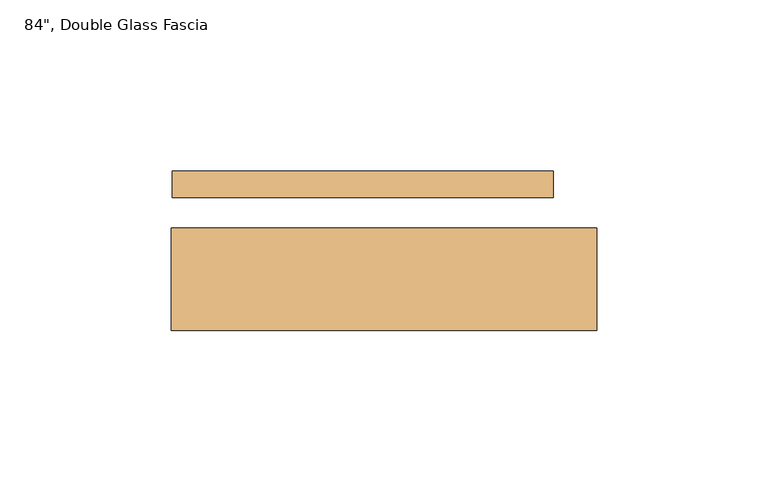
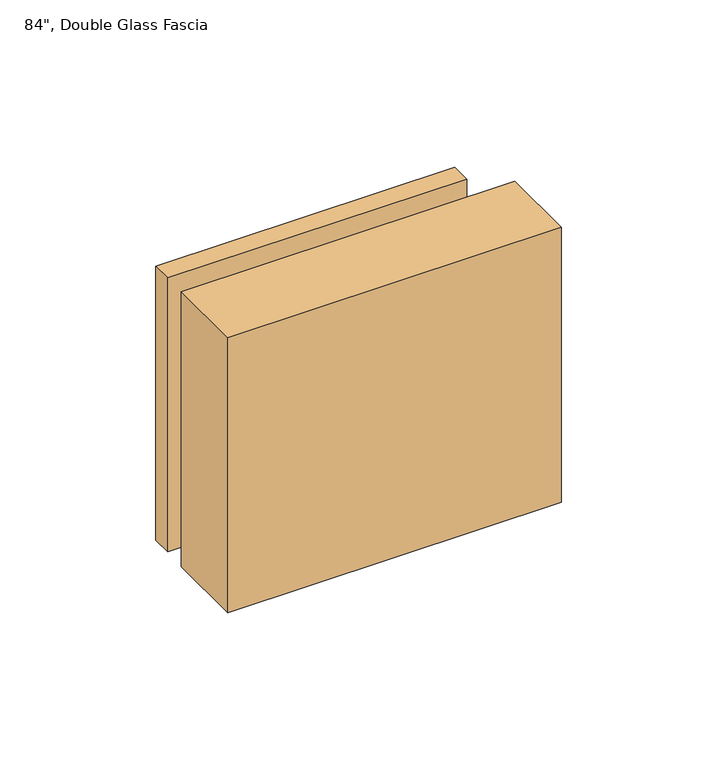
"""IFC4 building model written with IfcOpenShell, lengths in millimetres: door geometry."""

import ifcopenshell
import ifcopenshell.guid

model = None  # the IFC model being written
_history = None  # IfcOwnerHistory: only IFC2X3 demands one
_inside = {}  # id of a spatial element -> (the spatial element, [elements in it])
_under = {}  # id of a project, library or spatial element -> (it, [spatial elements below it])
_declared = {}  # id of a project -> (the project, [libraries it declares])
_typed = {}  # id of a type object -> (the type object, [elements of that type])
_made_of = {}  # id of a material, layer set ... -> (it, [elements and type objects made of it])


def new_model(schema):
    """Start an empty IFC model of exactly this schema.

    Asked for "IFC4X3", IfcOpenShell would pick the latest addendum, in which some entities
    have other attributes; the version numbers below select the first issue.
    IFC2X3 requires an IfcOwnerHistory on every rooted entity: one is made here for all.
    """
    global model, _history
    if schema == "IFC4X3":
        model = ifcopenshell.file(schema_version=(4, 3, 0, 0))
    else:
        model = ifcopenshell.file(schema=schema)
    _inside.clear()
    _under.clear()
    _declared.clear()
    _typed.clear()
    _made_of.clear()
    _history = None
    if model.schema == "IFC2X3":
        org = make("IfcOrganization", Name="unknown")
        user = make(
            "IfcPersonAndOrganization",
            ThePerson=make("IfcPerson", FamilyName="unknown"),
            TheOrganization=org,
        )
        app = make(
            "IfcApplication",
            ApplicationDeveloper=org,
            Version="unknown",
            ApplicationFullName="unknown",
            ApplicationIdentifier="unknown",
        )
        _history = make(
            "IfcOwnerHistory",
            OwningUser=user,
            OwningApplication=app,
            ChangeAction="ADDED",
            CreationDate=0,
        )
    return model


def make(cls, **values):
    """One entity of the class cls with the attributes given. An attribute that is None is left unset."""
    return model.create_entity(
        cls, **{name: value for name, value in values.items() if value is not None}
    )


def rooted(cls, **values):
    """An entity with a GlobalId (a new one), such as an element, a storey or a relation."""
    return make(cls, GlobalId=ifcopenshell.guid.new(), OwnerHistory=_history, **values)


def si_unit(unit_type, name, prefix=None):
    """IfcSIUnit, for example si_unit("LENGTHUNIT", "METRE", prefix="MILLI")."""
    return make("IfcSIUnit", UnitType=unit_type, Prefix=prefix, Name=name)


def assignment(units):
    """IfcUnitAssignment: the units of a project."""
    return None if units is None else make("IfcUnitAssignment", Units=units)


def point(xyz):
    """IfcCartesianPoint."""
    return None if xyz is None else make("IfcCartesianPoint", Coordinates=xyz)


def direction(xyz):
    """IfcDirection."""
    return None if xyz is None else make("IfcDirection", DirectionRatios=xyz)


def frame(location, z_axis=None, x_axis=None):
    """IfcAxis2Placement3D, a coordinate frame: its origin and axes. An axis left out is left unset."""
    return make(
        "IfcAxis2Placement3D",
        Location=point(location),
        Axis=direction(z_axis),
        RefDirection=direction(x_axis),
    )


def origin():
    """The frame at (0, 0, 0) with its axes left unset."""
    return frame((0.0, 0.0, 0.0))


def place(relative_to, where):
    """IfcLocalPlacement: puts the frame where relative to a parent placement (None: the world)."""
    return make(
        "IfcLocalPlacement", PlacementRelTo=relative_to, RelativePlacement=where
    )


def context(
    kind, dimensions, precision=None, world=None, true_north=None, identifier=None
):
    """IfcGeometricRepresentationContext, for example the 3D "Model" context."""
    return make(
        "IfcGeometricRepresentationContext",
        ContextIdentifier=identifier,
        ContextType=kind,
        CoordinateSpaceDimension=dimensions,
        Precision=precision,
        WorldCoordinateSystem=world,
        TrueNorth=true_north,
    )


def project(units=None, contexts=None):
    """IfcProject with its units and contexts."""
    return rooted(
        "IfcProject",
        Name="project",
        RepresentationContexts=contexts,
        UnitsInContext=assignment(units),
    )


def spatial(cls, under=None, at=None, **own):
    """A site, building, storey or space (cls), placed at a placement, below another one or the project."""
    s = rooted(cls, ObjectPlacement=at, **own)
    if under is not None:
        _under.setdefault(under.id(), (under, []))[1].append(s)
    return s


def polyline(points):
    """IfcPolyline through the points."""
    return make("IfcPolyline", Points=[point(p) for p in points])


def outline(outer, holes=None, kind="AREA"):
    """IfcArbitraryClosedProfileDef: a profile drawn as a closed curve; with holes, ...WithVoids."""
    if holes is None:
        return make("IfcArbitraryClosedProfileDef", ProfileType=kind, OuterCurve=outer)
    return make(
        "IfcArbitraryProfileDefWithVoids",
        ProfileType=kind,
        OuterCurve=outer,
        InnerCurves=holes,
    )


def extrude(swept, where, along, depth):
    """IfcExtrudedAreaSolid: the profile swept, set in the frame where, extruded along a direction by depth."""
    return make(
        "IfcExtrudedAreaSolid",
        SweptArea=swept,
        Position=where,
        ExtrudedDirection=direction(along),
        Depth=depth,
    )


def shape(context_of_items, identifier, shape_type, items):
    """IfcShapeRepresentation: the items that make up one representation, for example the "Body"."""
    return make(
        "IfcShapeRepresentation",
        ContextOfItems=context_of_items,
        RepresentationIdentifier=identifier,
        RepresentationType=shape_type,
        Items=items,
    )


def source(mapping_origin, context_of_items, identifier, shape_type, items):
    """IfcRepresentationMap: a shape defined once, which mapped items show again and again."""
    return make(
        "IfcRepresentationMap",
        MappingOrigin=mapping_origin,
        MappedRepresentation=shape(context_of_items, identifier, shape_type, items),
    )


def transform(
    local_origin,
    x_axis=None,
    y_axis=None,
    z_axis=None,
    scale=None,
    scale2=None,
    scale3=None,
    uniform=True,
):
    """IfcCartesianTransformationOperator3D, or its non-uniform kind. x_axis, y_axis, z_axis: its Axis1, 2, 3."""
    if uniform:
        return make(
            "IfcCartesianTransformationOperator3D",
            Axis1=direction(x_axis),
            Axis2=direction(y_axis),
            LocalOrigin=point(local_origin),
            Scale=scale,
            Axis3=direction(z_axis),
        )
    return make(
        "IfcCartesianTransformationOperator3DnonUniform",
        Axis1=direction(x_axis),
        Axis2=direction(y_axis),
        LocalOrigin=point(local_origin),
        Scale=scale,
        Axis3=direction(z_axis),
        Scale2=scale2,
        Scale3=scale3,
    )


def mapped(mapping_source, mapping_target):
    """IfcMappedItem: shows the shape of a source again, moved by a transform."""
    return make(
        "IfcMappedItem", MappingSource=mapping_source, MappingTarget=mapping_target
    )


def made_of(thing, what):
    """Note that an element or type object is made of a material, layer set ...; save() writes the relation."""
    if what is not None:
        _made_of.setdefault(what.id(), (what, []))[1].append(thing)
    return thing


def element(
    cls,
    number,
    at=None,
    inside=None,
    cuts=None,
    type_object=None,
    material=None,
    context=None,
    identifier="Body",
    shape_type=None,
    held_by="IfcProductDefinitionShape",
    body=None,
    shapes=None,
    **own,
):
    """One element of the class cls, such as IfcWall. Its Tag is "e" and its number.

    at: its placement. inside: the storey or other place that contains it. cuts: it is an
    opening in that element (IfcRelVoidsElement). A single representation is given by context,
    identifier, shape_type and body (its items); several are given by shapes. held_by: the class
    of the entity that holds the representations. save() writes the other relations.
    """
    e = rooted(cls, Tag="e%d" % number, ObjectPlacement=at, **own)
    if body is not None:
        shapes = [shape(context, identifier, shape_type, body)]
    if shapes is not None:
        e.Representation = make(held_by, Representations=shapes)
    if inside is not None:
        _inside.setdefault(inside.id(), (inside, []))[1].append(e)
    if cuts is not None:
        rooted(
            "IfcRelVoidsElement", RelatingBuildingElement=cuts, RelatedOpeningElement=e
        )
    if type_object is not None:
        _typed.setdefault(type_object.id(), (type_object, []))[1].append(e)
    return made_of(e, material)


def aggregate(whole, parts):
    """IfcRelAggregates: a whole, such as a stair, and the parts it consists of."""
    return rooted("IfcRelAggregates", RelatingObject=whole, RelatedObjects=parts)


def save(model, path):
    """Write the relations noted so far, then the file.

    IfcRelAggregates (storeys below a building ...), IfcRelContainedInSpatialStructure (elements
    in a storey), IfcRelDefinesByType, IfcRelAssociatesMaterial and IfcRelDeclares: one each for
    every whole, place, type object, material and project.
    """
    for whole, parts in _under.values():
        aggregate(whole, parts)
    for where, things in _inside.values():
        rooted(
            "IfcRelContainedInSpatialStructure",
            RelatedElements=things,
            RelatingStructure=where,
        )
    for kind, things in _typed.values():
        rooted("IfcRelDefinesByType", RelatedObjects=things, RelatingType=kind)
    for what, things in _made_of.values():
        rooted("IfcRelAssociatesMaterial", RelatedObjects=things, RelatingMaterial=what)
    for by, libraries in _declared.values():
        rooted("IfcRelDeclares", RelatingContext=by, RelatedDefinitions=libraries)
    model.write(path)


def door_facb3c76(model_context):
    return source(origin(), model_context, "Body", "SweptSolid", [
        extrude(outline(polyline([(473.5631562, -11.6378955), (473.5631562, -41.4828955), (349.5702539, -41.4828955), (349.5702539, -11.6378955), (473.5631562, -11.6378955)])), frame((0.0, 0.0, 952.4296945), z_axis=(0.0, 0.0, 1.0), x_axis=(1.0, 0.0, 0.0)), (0.0, 0.0, 1.0), 108.090611),
        extrude(outline(polyline([(349.8056594, -2.6208955), (349.8056594, 4.9991045), (460.8631562, 4.9991045), (460.8631562, -2.6208955), (349.8056594, -2.6208955)])), frame((0.0, 0.0, 952.6651), z_axis=(0.0, 0.0, 1.0), x_axis=(1.0, 0.0, 0.0)), (0.0, 0.0, 1.0), 107.6198),
    ])


if __name__ == "__main__":
    model = new_model("IFC4")
    model_context = context("Model", 3, world=origin())
    ifc_project = project(units=[si_unit("LENGTHUNIT", "METRE", prefix="MILLI")], contexts=[model_context])
    site = spatial("IfcSite", under=ifc_project)
    building = spatial("IfcBuilding", under=site)
    placement = place(None, origin())
    door_shape = door_facb3c76(model_context)
    element("IfcDoor", 1, ObjectType="84\", Double Glass Fascia", at=placement, inside=building, context=model_context, shape_type="MappedRepresentation", body=[
        mapped(door_shape, transform((0.0, 0.0, 0.0), x_axis=(1.0, 0.0, 0.0), y_axis=(0.0, 1.0, 0.0), z_axis=(0.0, 0.0, 1.0))),
    ])
    save(model, "model.ifc")
